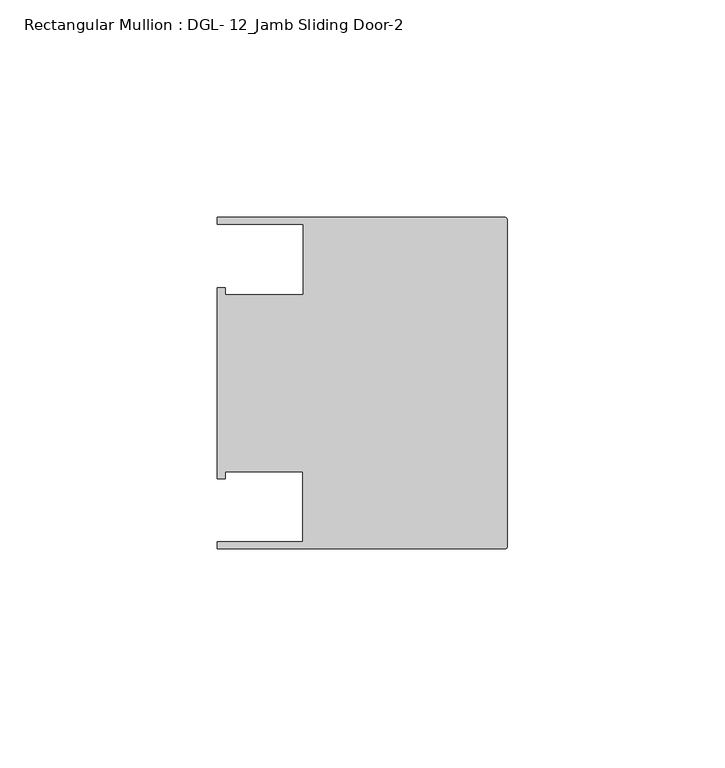
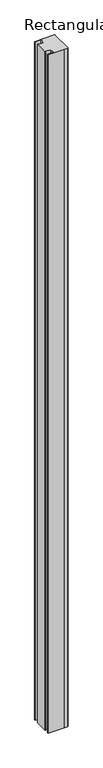
"""IFC4 building model written with IfcOpenShell, lengths in millimetres: member geometry, Rectangular Mullion : DGL- 12_Jamb Sliding Door-2."""

from ifc_helpers import new_model, si_unit, frame, origin, place, context, project, spatial, circle_curve, source, transform, mapped, element, save
from ifc_brep_helpers import plane_surface, cylinder_surface, advanced_brep


def rectangular_mullion_dgl_12_jamb_sliding_door_2_fb802b36(model_context):
    return source(origin(), model_context, "Body", "AdvancedBrep", [
        advanced_brep(
        [(-66.6740655, -38.0996472, 0.0), (-12.0300178, -38.0996472, 0.0), (-0.5953125, -38.099984, 0.0), (0.0, -37.5046715, 0.0), (0.0, 37.5047355, 0.0), (-0.5953125, 38.100048, 0.0), (-66.6649711, 38.100048, 0.0), (-66.6649711, 36.5073056, 0.0), (-46.9507384, 36.5073056, 0.0), (-46.9507384, 20.292327, 0.0), (-64.9202072, 20.292327, 0.0), (-64.9202072, 21.9711296, 0.0), (-66.6740655, 21.9711296, 0.0), (-66.6740655, -21.9710656, 0.0), (-64.9202072, -21.9710656, 0.0), (-64.9202072, -20.3415833, 0.0), (-47.0121851, -20.3415833, 0.0), (-47.0121851, -36.512484, 0.0), (-66.6740655, -36.512484, 0.0), (-66.6740655, -38.0996472, -2386.0078176), (-66.6740655, -36.512484, -2386.0078176), (-47.0121851, -36.512484, -2386.0078176), (-47.0121851, -20.3415833, -2386.0078176), (-64.9202072, -20.3415833, -2386.0078176), (-64.9202072, -21.9710656, -2386.0078176), (-66.6740655, -21.9710656, -2386.0078176), (-66.6740655, 21.9711296, -2386.0078176), (-64.9202072, 21.9711296, -2386.0078176), (-64.9202072, 20.292327, -2386.0078176), (-46.9507384, 20.292327, -2386.0078176), (-46.9507384, 36.5073056, -2386.0078176), (-66.6649711, 36.5073056, -2386.0078176), (-66.6649711, 38.100048, -2386.0078176), (-0.5953125, 38.100048, -2386.0078176), (0.0, 37.5047355, -2386.0078176), (0.0, -37.5046715, -2386.0078176), (-0.5953125, -38.099984, -2386.0078176), (-12.0300178, -38.099984, -2386.0078176)],
        [
            (0, 1),
            (1, 2),
            (2, 3, circle_curve(frame((-0.5953125, -37.5046715, 0.0), z_axis=(0.0, 0.0, 1.0), x_axis=(1.0, 0.0, 0.0)), 0.5953125)),
            (3, 4),
            (4, 5, circle_curve(frame((-0.5953125, 37.5047355, 0.0), z_axis=(0.0, 0.0, 1.0), x_axis=(1.0, 0.0, 0.0)), 0.5953125)),
            (5, 6),
            (6, 7),
            (7, 8),
            (8, 9),
            (9, 10),
            (10, 11),
            (11, 12),
            (12, 13),
            (13, 14),
            (14, 15),
            (15, 16),
            (16, 17),
            (17, 18),
            (18, 0),
            (19, 20),
            (20, 21),
            (21, 22),
            (22, 23),
            (23, 24),
            (24, 25),
            (25, 26),
            (26, 27),
            (27, 28),
            (28, 29),
            (29, 30),
            (30, 31),
            (31, 32),
            (32, 33),
            (33, 34, circle_curve(frame((-0.5953125, 37.5047355, -2386.0078176), z_axis=(0.0, 0.0, -1.0), x_axis=(1.0, 0.0, 0.0)), 0.5953125)),
            (34, 35),
            (35, 36, circle_curve(frame((-0.5953125, -37.5046715, -2386.0078176), z_axis=(0.0, 0.0, -1.0), x_axis=(1.0, 0.0, 0.0)), 0.5953125)),
            (36, 37),
            (37, 19),
            (1, 37),
            (36, 2),
            (3, 35),
            (34, 4),
            (5, 33),
            (32, 6),
            (31, 7),
            (30, 8),
            (29, 9),
            (28, 10),
            (27, 11),
            (26, 12),
            (25, 13),
            (24, 14),
            (23, 15),
            (22, 16),
            (21, 17),
            (20, 18),
            (19, 0),
        ],
        [
            plane_surface(frame((0.0, -76.7920186, 0.0), z_axis=(0.0, 0.0, 1.0), x_axis=(-1.0, 0.0, 0.0))),
            plane_surface(frame((0.0, -76.7920186, -2386.0078176), z_axis=(0.0, 0.0, -1.0), x_axis=(-1.0, 0.0, 0.0))),
            plane_surface(frame((-12.0300178, -38.099984, 0.0), z_axis=(0.0, -1.0, 0.0), x_axis=(0.0, 0.0, -1.0))),
            plane_surface(frame((0.0, -37.5046715, 0.0), z_axis=(1.0, 0.0, 0.0), x_axis=(0.0, 0.0, -1.0))),
            plane_surface(frame((-0.5953125, 38.100048, 0.0), z_axis=(0.0, 1.0, 0.0), x_axis=(0.0, 0.0, -1.0))),
            plane_surface(frame((-66.6649711, 38.100048, 0.0), z_axis=(-1.0, 0.0, 0.0), x_axis=(0.0, 0.0, -1.0))),
            plane_surface(frame((-66.6649711, 36.5073056, 0.0), z_axis=(0.0, -1.0, 0.0), x_axis=(0.0, 0.0, -1.0))),
            plane_surface(frame((-46.9507384, 36.5073056, 0.0), z_axis=(-1.0, 0.0, 0.0), x_axis=(0.0, 0.0, -1.0))),
            plane_surface(frame((-46.9507384, 20.292327, 0.0), z_axis=(0.0, 1.0, 0.0), x_axis=(0.0, 0.0, -1.0))),
            plane_surface(frame((-64.9202072, 20.292327, 0.0), z_axis=(1.0, 0.0, 0.0), x_axis=(0.0, 0.0, -1.0))),
            plane_surface(frame((-64.9202072, 21.9711296, 0.0), z_axis=(0.0, 1.0, 0.0), x_axis=(0.0, 0.0, -1.0))),
            plane_surface(frame((-66.6740655, 21.9711296, 0.0), z_axis=(-1.0, 0.0, 0.0), x_axis=(0.0, 0.0, -1.0))),
            plane_surface(frame((-66.6740655, -21.9710656, 0.0), z_axis=(0.0, -1.0, 0.0), x_axis=(0.0, 0.0, -1.0))),
            plane_surface(frame((-64.9202072, -21.9710656, 0.0), z_axis=(1.0, 0.0, 0.0), x_axis=(0.0, 0.0, -1.0))),
            plane_surface(frame((-64.9202072, -20.3415833, 0.0), z_axis=(0.0, -1.0, 0.0), x_axis=(0.0, 0.0, -1.0))),
            plane_surface(frame((-47.0121851, -20.3415833, 0.0), z_axis=(-1.0, 0.0, 0.0), x_axis=(0.0, 0.0, -1.0))),
            plane_surface(frame((-47.0121851, -36.512484, 0.0), z_axis=(0.0, 1.0, 0.0), x_axis=(0.0, 0.0, -1.0))),
            plane_surface(frame((-66.6740655, -36.512484, 0.0), z_axis=(-1.0, 0.0, 0.0), x_axis=(0.0, 0.0, -1.0))),
            plane_surface(frame((-66.6740655, -38.0996472, 0.0), z_axis=(0.0, -1.0, 0.0), x_axis=(0.0, 0.0, -1.0))),
            cylinder_surface(frame((-0.5953125, -37.5046715, 0.0), z_axis=(0.0, 0.0, 1.0), x_axis=(1.0, 0.0, 0.0)), 0.5953125),
            cylinder_surface(frame((-0.5953125, 37.5047355, 0.0), z_axis=(0.0, 0.0, 1.0), x_axis=(1.0, 0.0, 0.0)), 0.5953125),
        ],
        [
            (0, [[1, 2, 3, 4, 5, 6, 7, 8, 9, 10, 11, 12, 13, 14, 15, 16, 17, 18, 19]]),
            (1, [[20, 21, 22, 23, 24, 25, 26, 27, 28, 29, 30, 31, 32, 33, 34, 35, 36, 37, 38]]),
            (2, [[-2, 39, -37, 40]]),
            (3, [[-4, 41, -35, 42]]),
            (4, [[-6, 43, -33, 44]]),
            (5, [[-7, -44, -32, 45]]),
            (6, [[-8, -45, -31, 46]]),
            (7, [[-9, -46, -30, 47]]),
            (8, [[-10, -47, -29, 48]]),
            (9, [[-11, -48, -28, 49]]),
            (10, [[-12, -49, -27, 50]]),
            (11, [[-13, -50, -26, 51]]),
            (12, [[-14, -51, -25, 52]]),
            (13, [[-15, -52, -24, 53]]),
            (14, [[-16, -53, -23, 54]]),
            (15, [[-17, -54, -22, 55]]),
            (16, [[-18, -55, -21, 56]]),
            (17, [[-19, -56, -20, 57]]),
            (18, [[-1, -57, -38, -39]]),
            (19, [[-3, -40, -36, -41]]),
            (20, [[-5, -42, -34, -43]]),
        ],
    ),
    ])


if __name__ == "__main__":
    model = new_model("IFC4")
    model_context = context("Model", 3, world=origin())
    ifc_project = project(units=[si_unit("LENGTHUNIT", "METRE", prefix="MILLI")], contexts=[model_context])
    site = spatial("IfcSite", under=ifc_project)
    building = spatial("IfcBuilding", under=site)
    placement = place(None, origin())
    rectangular_mullion_dgl_12_jamb_sliding_door_2_shape = rectangular_mullion_dgl_12_jamb_sliding_door_2_fb802b36(model_context)
    element("IfcMember", 1, ObjectType="Rectangular Mullion : DGL- 12_Jamb Sliding Door-2", at=placement, inside=building, context=model_context, shape_type="MappedRepresentation", body=[
        mapped(rectangular_mullion_dgl_12_jamb_sliding_door_2_shape, transform((0.0, 0.0, 0.0), x_axis=(1.0, 0.0, 0.0), y_axis=(0.0, 1.0, 0.0), z_axis=(0.0, 0.0, 1.0))),
    ])
    save(model, "model.ifc")
